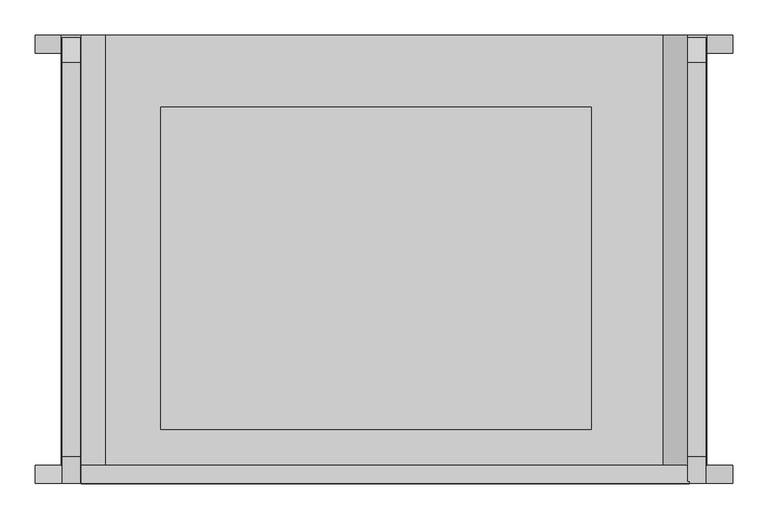
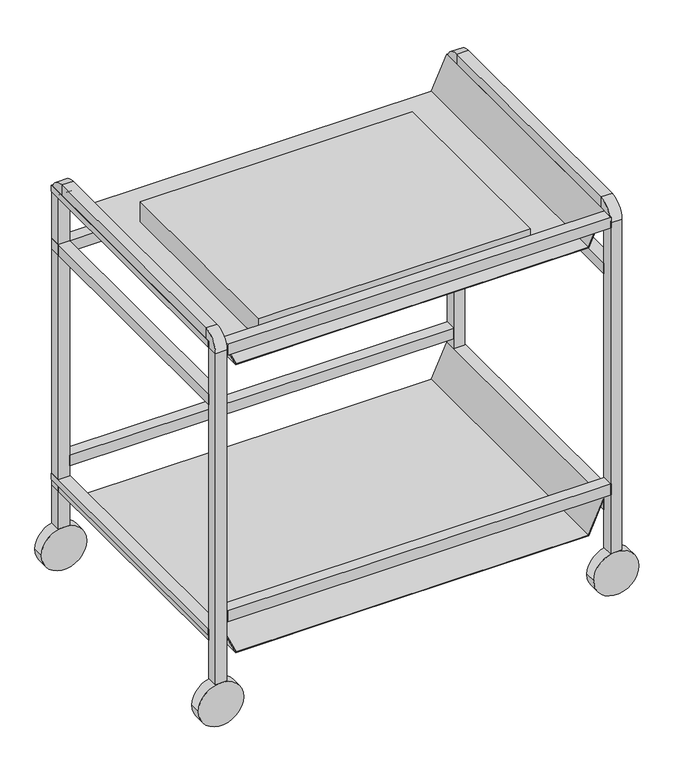
"""IFC4 building model written with IfcOpenShell, lengths in millimetres: proxy geometry."""

import ifcopenshell
import ifcopenshell.guid

model = None  # the IFC model being written
_history = None  # IfcOwnerHistory: only IFC2X3 demands one
_inside = {}  # id of a spatial element -> (the spatial element, [elements in it])
_under = {}  # id of a project, library or spatial element -> (it, [spatial elements below it])
_declared = {}  # id of a project -> (the project, [libraries it declares])
_typed = {}  # id of a type object -> (the type object, [elements of that type])
_made_of = {}  # id of a material, layer set ... -> (it, [elements and type objects made of it])


def new_model(schema):
    """Start an empty IFC model of exactly this schema.

    Asked for "IFC4X3", IfcOpenShell would pick the latest addendum, in which some entities
    have other attributes; the version numbers below select the first issue.
    IFC2X3 requires an IfcOwnerHistory on every rooted entity: one is made here for all.
    """
    global model, _history
    if schema == "IFC4X3":
        model = ifcopenshell.file(schema_version=(4, 3, 0, 0))
    else:
        model = ifcopenshell.file(schema=schema)
    _inside.clear()
    _under.clear()
    _declared.clear()
    _typed.clear()
    _made_of.clear()
    _history = None
    if model.schema == "IFC2X3":
        org = make("IfcOrganization", Name="unknown")
        user = make(
            "IfcPersonAndOrganization",
            ThePerson=make("IfcPerson", FamilyName="unknown"),
            TheOrganization=org,
        )
        app = make(
            "IfcApplication",
            ApplicationDeveloper=org,
            Version="unknown",
            ApplicationFullName="unknown",
            ApplicationIdentifier="unknown",
        )
        _history = make(
            "IfcOwnerHistory",
            OwningUser=user,
            OwningApplication=app,
            ChangeAction="ADDED",
            CreationDate=0,
        )
    return model


def make(cls, **values):
    """One entity of the class cls with the attributes given. An attribute that is None is left unset."""
    return model.create_entity(
        cls, **{name: value for name, value in values.items() if value is not None}
    )


def rooted(cls, **values):
    """An entity with a GlobalId (a new one), such as an element, a storey or a relation."""
    return make(cls, GlobalId=ifcopenshell.guid.new(), OwnerHistory=_history, **values)


def si_unit(unit_type, name, prefix=None):
    """IfcSIUnit, for example si_unit("LENGTHUNIT", "METRE", prefix="MILLI")."""
    return make("IfcSIUnit", UnitType=unit_type, Prefix=prefix, Name=name)


def assignment(units):
    """IfcUnitAssignment: the units of a project."""
    return None if units is None else make("IfcUnitAssignment", Units=units)


def point(xyz):
    """IfcCartesianPoint."""
    return None if xyz is None else make("IfcCartesianPoint", Coordinates=xyz)


def direction(xyz):
    """IfcDirection."""
    return None if xyz is None else make("IfcDirection", DirectionRatios=xyz)


def frame(location, z_axis=None, x_axis=None):
    """IfcAxis2Placement3D, a coordinate frame: its origin and axes. An axis left out is left unset."""
    return make(
        "IfcAxis2Placement3D",
        Location=point(location),
        Axis=direction(z_axis),
        RefDirection=direction(x_axis),
    )


def frame_2d(location, x_axis=None):
    """IfcAxis2Placement2D, a coordinate frame in the plane: its origin and x axis."""
    return make(
        "IfcAxis2Placement2D", Location=point(location), RefDirection=direction(x_axis)
    )


def origin():
    """The frame at (0, 0, 0) with its axes left unset."""
    return frame((0.0, 0.0, 0.0))


def place(relative_to, where):
    """IfcLocalPlacement: puts the frame where relative to a parent placement (None: the world)."""
    return make(
        "IfcLocalPlacement", PlacementRelTo=relative_to, RelativePlacement=where
    )


def context(
    kind, dimensions, precision=None, world=None, true_north=None, identifier=None
):
    """IfcGeometricRepresentationContext, for example the 3D "Model" context."""
    return make(
        "IfcGeometricRepresentationContext",
        ContextIdentifier=identifier,
        ContextType=kind,
        CoordinateSpaceDimension=dimensions,
        Precision=precision,
        WorldCoordinateSystem=world,
        TrueNorth=true_north,
    )


def project(units=None, contexts=None):
    """IfcProject with its units and contexts."""
    return rooted(
        "IfcProject",
        Name="project",
        RepresentationContexts=contexts,
        UnitsInContext=assignment(units),
    )


def spatial(cls, under=None, at=None, **own):
    """A site, building, storey or space (cls), placed at a placement, below another one or the project."""
    s = rooted(cls, ObjectPlacement=at, **own)
    if under is not None:
        _under.setdefault(under.id(), (under, []))[1].append(s)
    return s


def polyline(points):
    """IfcPolyline through the points."""
    return make("IfcPolyline", Points=[point(p) for p in points])


def circle_curve(where, radius):
    """IfcCircle in the frame where."""
    return make("IfcCircle", Position=where, Radius=radius)


def trimmed(basis, trim1, trim2, sense, master):
    """IfcTrimmedCurve: the piece of a basis curve between two trims."""
    return make(
        "IfcTrimmedCurve",
        BasisCurve=basis,
        Trim1=trim1,
        Trim2=trim2,
        SenseAgreement=sense,
        MasterRepresentation=master,
    )


def segment(curve, same_sense, transition):
    """IfcCompositeCurveSegment."""
    return make(
        "IfcCompositeCurveSegment",
        Transition=transition,
        SameSense=same_sense,
        ParentCurve=curve,
    )


def composite_curve(segments, self_intersect=None):
    """IfcCompositeCurve: segments joined end to end."""
    return make("IfcCompositeCurve", Segments=segments, SelfIntersect=self_intersect)


def outline(outer, holes=None, kind="AREA"):
    """IfcArbitraryClosedProfileDef: a profile drawn as a closed curve; with holes, ...WithVoids."""
    if holes is None:
        return make("IfcArbitraryClosedProfileDef", ProfileType=kind, OuterCurve=outer)
    return make(
        "IfcArbitraryProfileDefWithVoids",
        ProfileType=kind,
        OuterCurve=outer,
        InnerCurves=holes,
    )


def extrude(swept, where, along, depth):
    """IfcExtrudedAreaSolid: the profile swept, set in the frame where, extruded along a direction by depth."""
    return make(
        "IfcExtrudedAreaSolid",
        SweptArea=swept,
        Position=where,
        ExtrudedDirection=direction(along),
        Depth=depth,
    )


def shape(context_of_items, identifier, shape_type, items):
    """IfcShapeRepresentation: the items that make up one representation, for example the "Body"."""
    return make(
        "IfcShapeRepresentation",
        ContextOfItems=context_of_items,
        RepresentationIdentifier=identifier,
        RepresentationType=shape_type,
        Items=items,
    )


def source(mapping_origin, context_of_items, identifier, shape_type, items):
    """IfcRepresentationMap: a shape defined once, which mapped items show again and again."""
    return make(
        "IfcRepresentationMap",
        MappingOrigin=mapping_origin,
        MappedRepresentation=shape(context_of_items, identifier, shape_type, items),
    )


def transform(
    local_origin,
    x_axis=None,
    y_axis=None,
    z_axis=None,
    scale=None,
    scale2=None,
    scale3=None,
    uniform=True,
):
    """IfcCartesianTransformationOperator3D, or its non-uniform kind. x_axis, y_axis, z_axis: its Axis1, 2, 3."""
    if uniform:
        return make(
            "IfcCartesianTransformationOperator3D",
            Axis1=direction(x_axis),
            Axis2=direction(y_axis),
            LocalOrigin=point(local_origin),
            Scale=scale,
            Axis3=direction(z_axis),
        )
    return make(
        "IfcCartesianTransformationOperator3DnonUniform",
        Axis1=direction(x_axis),
        Axis2=direction(y_axis),
        LocalOrigin=point(local_origin),
        Scale=scale,
        Axis3=direction(z_axis),
        Scale2=scale2,
        Scale3=scale3,
    )


def mapped(mapping_source, mapping_target):
    """IfcMappedItem: shows the shape of a source again, moved by a transform."""
    return make(
        "IfcMappedItem", MappingSource=mapping_source, MappingTarget=mapping_target
    )


def made_of(thing, what):
    """Note that an element or type object is made of a material, layer set ...; save() writes the relation."""
    if what is not None:
        _made_of.setdefault(what.id(), (what, []))[1].append(thing)
    return thing


def element(
    cls,
    number,
    at=None,
    inside=None,
    cuts=None,
    type_object=None,
    material=None,
    context=None,
    identifier="Body",
    shape_type=None,
    held_by="IfcProductDefinitionShape",
    body=None,
    shapes=None,
    **own,
):
    """One element of the class cls, such as IfcWall. Its Tag is "e" and its number.

    at: its placement. inside: the storey or other place that contains it. cuts: it is an
    opening in that element (IfcRelVoidsElement). A single representation is given by context,
    identifier, shape_type and body (its items); several are given by shapes. held_by: the class
    of the entity that holds the representations. save() writes the other relations.
    """
    e = rooted(cls, Tag="e%d" % number, ObjectPlacement=at, **own)
    if body is not None:
        shapes = [shape(context, identifier, shape_type, body)]
    if shapes is not None:
        e.Representation = make(held_by, Representations=shapes)
    if inside is not None:
        _inside.setdefault(inside.id(), (inside, []))[1].append(e)
    if cuts is not None:
        rooted(
            "IfcRelVoidsElement", RelatingBuildingElement=cuts, RelatedOpeningElement=e
        )
    if type_object is not None:
        _typed.setdefault(type_object.id(), (type_object, []))[1].append(e)
    return made_of(e, material)


def aggregate(whole, parts):
    """IfcRelAggregates: a whole, such as a stair, and the parts it consists of."""
    return rooted("IfcRelAggregates", RelatingObject=whole, RelatedObjects=parts)


def save(model, path):
    """Write the relations noted so far, then the file.

    IfcRelAggregates (storeys below a building ...), IfcRelContainedInSpatialStructure (elements
    in a storey), IfcRelDefinesByType, IfcRelAssociatesMaterial and IfcRelDeclares: one each for
    every whole, place, type object, material and project.
    """
    for whole, parts in _under.values():
        aggregate(whole, parts)
    for where, things in _inside.values():
        rooted(
            "IfcRelContainedInSpatialStructure",
            RelatedElements=things,
            RelatingStructure=where,
        )
    for kind, things in _typed.values():
        rooted("IfcRelDefinesByType", RelatedObjects=things, RelatingType=kind)
    for what, things in _made_of.values():
        rooted("IfcRelAssociatesMaterial", RelatedObjects=things, RelatingMaterial=what)
    for by, libraries in _declared.values():
        rooted("IfcRelDeclares", RelatingContext=by, RelatedDefinitions=libraries)
    model.write(path)


def plane_surface(at):
    """IfcPlane: the flat surface through the origin of the frame at, square to its z axis."""
    return make("IfcPlane", Position=at)


def cylinder_surface(at, radius):
    """IfcCylindricalSurface: all points at the distance radius from the z axis of the frame at."""
    return make("IfcCylindricalSurface", Position=at, Radius=radius)


def revolved_surface(curve, axis_point, axis_direction):
    """IfcSurfaceOfRevolution: the curve turned about the line through axis_point along axis_direction."""
    return make(
        "IfcSurfaceOfRevolution",
        SweptCurve=make("IfcArbitraryOpenProfileDef", ProfileType="CURVE", Curve=curve),
        AxisPosition=make("IfcAxis1Placement", Location=point(axis_point), Axis=direction(axis_direction)),
    )


def advanced_brep(points, edges, surfaces, faces):
    """IfcAdvancedBrep: a solid bounded by faces that lie on surfaces and meet in shared edges.

    An edge is (start, end): straight between two places in points (the first is 0);
    or (start, end, curve); or (start, end, curve, False) where it runs against its curve.
    A face is (place in surfaces, loops), or (place, loops, False) where it looks against
    its surface's normal. A loop lists edges by number (the first is 1), with a minus sign
    where the edge is run from its end to its start. The first loop is the outer one.
    """
    corners = [point(p) for p in points]
    vertices = [make("IfcVertexPoint", VertexGeometry=c) for c in corners]
    made = []
    for start, end, *more in edges:
        made.append(
            make(
                "IfcEdgeCurve",
                EdgeStart=vertices[start],
                EdgeEnd=vertices[end],
                EdgeGeometry=more[0] if more else make("IfcPolyline", Points=[corners[start], corners[end]]),
                SameSense=more[1] if len(more) > 1 else True,
            )
        )
    hull = []
    for where, loops, *sense in faces:
        bounds = []
        for j, loop in enumerate(loops):
            ring = [make("IfcOrientedEdge", EdgeElement=made[abs(k) - 1], Orientation=k > 0) for k in loop]
            bounds.append(
                make(
                    "IfcFaceOuterBound" if j == 0 else "IfcFaceBound",
                    Bound=make("IfcEdgeLoop", EdgeList=ring),
                    Orientation=True,
                )
            )
        hull.append(make("IfcAdvancedFace", Bounds=bounds, FaceSurface=surfaces[where], SameSense=sense[0] if sense else True))
    return make("IfcAdvancedBrep", Outer=make("IfcClosedShell", CfsFaces=hull))


def specialty_equipment_13ca5da9(model_context):
    return source(origin(), model_context, "Body", "SolidModel", [
        extrude(outline(polyline([(215.9259266, -214.3306378), (215.9259266, -188.9306378), (140.8835759, -154.537629), (140.8835759, 103.7013533), (140.8835759, 637.1013533), (215.9259266, 671.4943622), (215.9259266, 696.8943622), (203.2259266, 696.8943622), (203.2259266, 698.4818622), (217.5134266, 698.4818622), (217.5134266, 670.4756489), (142.4710759, 636.08264), (142.4710759, -153.5189157), (217.5134266, -187.9119246), (217.5134266, -215.9181378), (203.2259266, -215.9181378), (203.2259266, -214.3306378), (215.9259266, -214.3306378)])), frame((0.0, -416.6970561, 0.0), z_axis=(0.0, 1.0, 0.0), x_axis=(0.0, 0.0, 1.0)), (0.0, 0.0, 1.0), 609.6),
        extrude(outline(polyline([(898.525, -214.3306378), (898.525, -188.9306378), (823.4826492, -154.537629), (823.4826492, 103.7013533), (823.4826492, 637.1013533), (898.525, 671.4943622), (898.525, 696.8943622), (885.825, 696.8943622), (885.825, 698.4818622), (900.1125, 698.4818622), (900.1125, 670.4756489), (825.0701492, 636.08264), (825.0701492, -153.5189157), (900.1125, -187.9119246), (900.1125, -215.9181378), (885.825, -215.9181378), (885.825, -214.3306378), (898.525, -214.3306378)])), frame((0.0, -416.6970561, 0.0), z_axis=(0.0, 1.0, 0.0), x_axis=(0.0, 0.0, 1.0)), (0.0, 0.0, 1.0), 609.6),
        extrude(outline(polyline([(-188.9306378, 167.5029439), (-188.9306378, 192.9029439), (671.4943622, 192.9029439), (671.4943622, 167.5029439), (-188.9306378, 167.5029439)])), frame((0.0, 0.0, 241.3), z_axis=(0.0, 0.0, 1.0), x_axis=(1.0, 0.0, 0.0)), (0.0, 0.0, 1.0), 25.4),
        extrude(outline(polyline([(-187.2190422, -442.4389813), (-187.2190422, -417.0389813), (673.2059578, -417.0389813), (673.2059578, -442.4389813), (-187.2190422, -442.4389813)])), frame((0.0, 0.0, 241.3), z_axis=(0.0, 0.0, 1.0), x_axis=(1.0, 0.0, 0.0)), (0.0, 0.0, 1.0), 25.4),
        extrude(outline(polyline([(673.2059578, -416.6970561), (673.2059578, -442.0970561), (-187.2190422, -442.0970561), (-187.2190422, -416.6970561), (673.2059578, -416.6970561)])), frame((0.0, 0.0, 873.125), z_axis=(0.0, 0.0, 1.0), x_axis=(1.0, 0.0, 0.0)), (0.0, 0.0, 1.0), 25.4),
        extrude(outline(polyline([(671.4943622, 192.9029439), (671.4943622, 167.5029439), (-188.9306378, 167.5029439), (-188.9306378, 192.9029439), (671.4943622, 192.9029439)])), frame((0.0, 0.0, 749.3), z_axis=(0.0, 0.0, 1.0), x_axis=(1.0, 0.0, 0.0)), (0.0, 0.0, 1.0), 25.4),
        extrude(outline(polyline([(-214.3306378, 192.9029439), (-188.9306378, 192.9029439), (-188.9306378, -416.6970561), (-214.3306378, -416.6970561), (-214.3306378, 192.9029439)])), frame((0.0, 0.0, 749.3), z_axis=(0.0, 0.0, 1.0), x_axis=(1.0, 0.0, 0.0)), (0.0, 0.0, 1.0), 25.4),
        extrude(outline(polyline([(-214.3306378, 192.9029439), (-188.9306378, 192.9029439), (-188.9306378, -416.6970561), (-214.3306378, -416.6970561), (-214.3306378, 192.9029439)])), frame((0.0, 0.0, 190.5259266), z_axis=(0.0, 0.0, 1.0), x_axis=(1.0, 0.0, 0.0)), (0.0, 0.0, 1.0), 25.4),
        extrude(outline(polyline([(671.4943622, 192.9029439), (696.8943622, 192.9029439), (696.8943622, -416.6970561), (671.4943622, -416.6970561), (671.4943622, 192.9029439)])), frame((0.0, 0.0, 749.3), z_axis=(0.0, 0.0, 1.0), x_axis=(1.0, 0.0, 0.0)), (0.0, 0.0, 1.0), 25.4),
        extrude(outline(polyline([(671.4943622, 192.9029439), (696.8943622, 192.9029439), (696.8943622, -416.6970561), (671.4943622, -416.6970561), (671.4943622, 192.9029439)])), frame((0.0, 0.0, 190.5259266), z_axis=(0.0, 0.0, 1.0), x_axis=(1.0, 0.0, 0.0)), (0.0, 0.0, 1.0), 25.4),
        advanced_brep(
        [(-214.3306378, 192.9029439, 100.3263379), (-188.9306378, 192.9029439, 100.3263379), (-188.9306378, 167.5029439, 100.3263379), (-214.3306378, 167.5029439, 100.3263379), (-214.3306378, 192.9029439, 885.825), (-188.9306378, 192.9029439, 885.825), (-188.9306378, 167.5029439, 885.825), (-214.3306378, 167.5029439, 885.825), (-188.9306378, 154.8029439, 923.925), (-214.3306378, 154.8029439, 923.925), (-188.9306378, 154.8029439, 898.525), (-214.3306378, 154.8029439, 898.525), (-214.3306378, -403.9970561, 923.925), (-188.9306378, -403.9970561, 923.925), (-188.9306378, -403.9970561, 898.525), (-214.3306378, -403.9970561, 898.525), (-188.9306378, -442.0970561, 885.825), (-214.3306378, -442.0970561, 885.825), (-188.9306378, -416.6970561, 885.825), (-214.3306378, -416.6970561, 885.825), (-214.3306378, -442.0970561, 101.6), (-214.3306378, -416.6970561, 101.6), (-188.9306378, -416.6970561, 101.6), (-188.9306378, -442.0970561, 101.6)],
        [
            (0, 1),
            (1, 2),
            (2, 3),
            (3, 0),
            (0, 4),
            (4, 5),
            (5, 1),
            (5, 6),
            (6, 2),
            (6, 7),
            (7, 3),
            (7, 4),
            (8, 5, circle_curve(frame((-188.9306378, 154.8029439, 885.825), z_axis=(-1.0, 0.0, 0.0), x_axis=(0.0, 1.0, 0.0)), 38.1)),
            (4, 9, circle_curve(frame((-214.3306378, 154.8029439, 885.825), z_axis=(1.0, 0.0, 0.0), x_axis=(0.0, 1.0, 0.0)), 38.1)),
            (9, 8),
            (10, 6, circle_curve(frame((-188.9306378, 154.8029439, 885.825), z_axis=(-1.0, 0.0, 0.0), x_axis=(0.0, 1.0, 0.0)), 12.7)),
            (8, 10),
            (11, 7, circle_curve(frame((-214.3306378, 154.8029439, 885.825), z_axis=(-1.0, 0.0, 0.0), x_axis=(0.0, 1.0, 0.0)), 12.7)),
            (10, 11),
            (11, 9),
            (9, 12),
            (12, 13),
            (13, 8),
            (13, 14),
            (14, 10),
            (14, 15),
            (15, 11),
            (15, 12),
            (16, 13, circle_curve(frame((-188.9306378, -403.9970561, 885.825), z_axis=(-1.0, 0.0, 0.0), x_axis=(0.0, 0.0, 1.0)), 38.1)),
            (12, 17, circle_curve(frame((-214.3306378, -403.9970561, 885.825), z_axis=(1.0, 0.0, 0.0), x_axis=(0.0, 0.0, 1.0)), 38.1)),
            (17, 16),
            (18, 14, circle_curve(frame((-188.9306378, -403.9970561, 885.825), z_axis=(-1.0, 0.0, 0.0), x_axis=(0.0, 0.0, 1.0)), 12.7)),
            (16, 18),
            (19, 15, circle_curve(frame((-214.3306378, -403.9970561, 885.825), z_axis=(-1.0, 0.0, 0.0), x_axis=(0.0, 0.0, 1.0)), 12.7)),
            (18, 19),
            (19, 17),
            (20, 21),
            (21, 22),
            (22, 23),
            (23, 20),
            (17, 20),
            (23, 16),
            (22, 18),
            (21, 19),
        ],
        [
            plane_surface(frame((684.1943622, -718.4118043, 100.3263379), z_axis=(0.0, 0.0, -1.0), x_axis=(1.0, 0.0, 0.0))),
            plane_surface(frame((-214.3306378, 192.9029439, 100.3263379), z_axis=(0.0, 1.0, 0.0), x_axis=(0.0, 0.0, 1.0))),
            plane_surface(frame((-188.9306378, 192.9029439, 100.3263379), z_axis=(1.0, 0.0, 0.0), x_axis=(0.0, 0.0, 1.0))),
            plane_surface(frame((-188.9306378, 167.5029439, 100.3263379), z_axis=(0.0, -1.0, 0.0), x_axis=(0.0, 0.0, 1.0))),
            plane_surface(frame((-214.3306378, 167.5029439, 100.3263379), z_axis=(-1.0, 0.0, 0.0), x_axis=(0.0, 0.0, 1.0))),
            cylinder_surface(frame((684.1943622, 154.8029439, 885.825), z_axis=(1.0, 0.0, 0.0), x_axis=(0.0, 1.0, 0.0)), 38.1),
            plane_surface(frame((-188.9306378, 154.8029439, 885.825), z_axis=(1.0, 0.0, 0.0), x_axis=(0.0, 1.0, 0.0))),
            revolved_surface(polyline([(-188.9306378, 167.5029439, 885.825), (-214.33063779999998, 167.5029439, 885.825)]), (684.1943622, 154.8029439, 885.825), (1.0, 0.0, 0.0)),
            plane_surface(frame((-214.3306378, 154.8029439, 885.825), z_axis=(-1.0, 0.0, 0.0), x_axis=(0.0, 1.0, 0.0))),
            plane_surface(frame((-214.3306378, 154.8029439, 923.925), z_axis=(0.0, 0.0, 1.0), x_axis=(0.0, -1.0, 0.0))),
            plane_surface(frame((-188.9306378, 154.8029439, 923.925), z_axis=(1.0, 0.0, 0.0), x_axis=(0.0, -1.0, 0.0))),
            plane_surface(frame((-188.9306378, 154.8029439, 898.525), z_axis=(0.0, 0.0, -1.0), x_axis=(0.0, -1.0, 0.0))),
            plane_surface(frame((-214.3306378, 154.8029439, 898.525), z_axis=(-1.0, 0.0, 0.0), x_axis=(0.0, -1.0, 0.0))),
            cylinder_surface(frame((684.1943622, -403.9970561, 885.825), z_axis=(1.0, 0.0, 0.0), x_axis=(0.0, 0.0, 1.0)), 38.1),
            plane_surface(frame((-188.9306378, -403.9970561, 885.825), z_axis=(1.0, 0.0, 0.0), x_axis=(0.0, 0.0, 1.0))),
            revolved_surface(polyline([(-188.9306378, -403.9970561, 898.5250000000001), (-214.33063779999998, -403.9970561, 898.5250000000001)]), (684.1943622, -403.9970561, 885.825), (1.0, 0.0, 0.0)),
            plane_surface(frame((-214.3306378, -403.9970561, 885.825), z_axis=(-1.0, 0.0, 0.0), x_axis=(0.0, 0.0, 1.0))),
            plane_surface(frame((684.1943622, -1328.0118043, 101.6), z_axis=(0.0, 0.0, -1.0), x_axis=(-1.0, 0.0, 0.0))),
            plane_surface(frame((-214.3306378, -442.0970561, 885.825), z_axis=(0.0, -1.0, 0.0), x_axis=(0.0, 0.0, -1.0))),
            plane_surface(frame((-188.9306378, -442.0970561, 885.825), z_axis=(1.0, 0.0, 0.0), x_axis=(0.0, 0.0, -1.0))),
            plane_surface(frame((-188.9306378, -416.6970561, 885.825), z_axis=(0.0, 1.0, 0.0), x_axis=(0.0, 0.0, -1.0))),
            plane_surface(frame((-214.3306378, -416.6970561, 885.825), z_axis=(-1.0, 0.0, 0.0), x_axis=(0.0, 0.0, -1.0))),
        ],
        [
            (0, [[1, 2, 3, 4]]),
            (1, [[-1, 5, 6, 7]]),
            (2, [[-2, -7, 8, 9]]),
            (3, [[-3, -9, 10, 11]]),
            (4, [[-4, -11, 12, -5]]),
            (5, [[13, -6, 14, 15]]),
            (6, [[16, -8, -13, 17]]),
            (7, [[18, -10, -16, 19]]),
            (8, [[-14, -12, -18, 20]]),
            (9, [[-15, 21, 22, 23]]),
            (10, [[-17, -23, 24, 25]]),
            (11, [[-19, -25, 26, 27]]),
            (12, [[-20, -27, 28, -21]]),
            (13, [[29, -22, 30, 31]]),
            (14, [[32, -24, -29, 33]]),
            (15, [[34, -26, -32, 35]]),
            (16, [[-30, -28, -34, 36]]),
            (17, [[37, 38, 39, 40]]),
            (18, [[-31, 41, -40, 42]]),
            (19, [[-33, -42, -39, 43]]),
            (20, [[-35, -43, -38, 44]]),
            (21, [[-36, -44, -37, -41]]),
        ],
    ),
        advanced_brep(
        [(696.8943622, 192.9029439, 100.3263379), (696.8943622, 167.5029439, 100.3263379), (671.4943622, 167.5029439, 100.3263379), (671.4943622, 192.9029439, 100.3263379), (696.8943622, 192.9029439, 885.825), (696.8943622, 167.5029439, 885.825), (671.4943622, 167.5029439, 885.825), (671.4943622, 192.9029439, 885.825), (696.8943622, 154.8029439, 898.525), (696.8943622, 154.8029439, 923.925), (671.4943622, 154.8029439, 898.525), (671.4943622, 154.8029439, 923.925), (696.8943622, -403.9970561, 923.925), (696.8943622, -403.9970561, 898.525), (671.4943622, -403.9970561, 898.525), (671.4943622, -403.9970561, 923.925), (696.8943622, -416.6970561, 885.825), (696.8943622, -442.0970561, 885.825), (671.4943622, -416.6970561, 885.825), (671.4943622, -442.0970561, 885.825), (696.8943622, -442.0970561, 101.6), (671.4943622, -442.0970561, 101.6), (671.4943622, -416.6970561, 101.6), (696.8943622, -416.6970561, 101.6)],
        [
            (0, 1),
            (1, 2),
            (2, 3),
            (3, 0),
            (0, 4),
            (4, 5),
            (5, 1),
            (5, 6),
            (6, 2),
            (6, 7),
            (7, 3),
            (7, 4),
            (8, 5, circle_curve(frame((696.8943622, 154.8029439, 885.825), z_axis=(-1.0, 0.0, 0.0), x_axis=(0.0, 1.0, 0.0)), 12.7)),
            (4, 9, circle_curve(frame((696.8943622, 154.8029439, 885.825), z_axis=(1.0, 0.0, 0.0), x_axis=(0.0, 1.0, 0.0)), 38.1)),
            (9, 8),
            (10, 6, circle_curve(frame((671.4943622, 154.8029439, 885.825), z_axis=(-1.0, 0.0, 0.0), x_axis=(0.0, 1.0, 0.0)), 12.7)),
            (8, 10),
            (11, 7, circle_curve(frame((671.4943622, 154.8029439, 885.825), z_axis=(-1.0, 0.0, 0.0), x_axis=(0.0, 1.0, 0.0)), 38.1)),
            (10, 11),
            (11, 9),
            (9, 12),
            (12, 13),
            (13, 8),
            (13, 14),
            (14, 10),
            (14, 15),
            (15, 11),
            (15, 12),
            (16, 13, circle_curve(frame((696.8943622, -403.9970561, 885.825), z_axis=(-1.0, 0.0, 0.0), x_axis=(0.0, 0.0, 1.0)), 12.7)),
            (12, 17, circle_curve(frame((696.8943622, -403.9970561, 885.825), z_axis=(1.0, 0.0, 0.0), x_axis=(0.0, 0.0, 1.0)), 38.1)),
            (17, 16),
            (18, 14, circle_curve(frame((671.4943622, -403.9970561, 885.825), z_axis=(-1.0, 0.0, 0.0), x_axis=(0.0, 0.0, 1.0)), 12.7)),
            (16, 18),
            (19, 15, circle_curve(frame((671.4943622, -403.9970561, 885.825), z_axis=(-1.0, 0.0, 0.0), x_axis=(0.0, 0.0, 1.0)), 38.1)),
            (18, 19),
            (19, 17),
            (20, 21),
            (21, 22),
            (22, 23),
            (23, 20),
            (17, 20),
            (23, 16),
            (22, 18),
            (21, 19),
        ],
        [
            plane_surface(frame((684.1943622, 162.2424316, 100.3263379), z_axis=(0.0, 0.0, -1.0), x_axis=(1.0, 0.0, 0.0))),
            plane_surface(frame((696.8943622, 192.9029439, 100.3263379), z_axis=(1.0, 0.0, 0.0), x_axis=(0.0, 0.0, 1.0))),
            plane_surface(frame((696.8943622, 167.5029439, 100.3263379), z_axis=(0.0, -1.0, 0.0), x_axis=(0.0, 0.0, 1.0))),
            plane_surface(frame((671.4943622, 167.5029439, 100.3263379), z_axis=(-1.0, 0.0, 0.0), x_axis=(0.0, 0.0, 1.0))),
            plane_surface(frame((671.4943622, 192.9029439, 100.3263379), z_axis=(0.0, 1.0, 0.0), x_axis=(0.0, 0.0, 1.0))),
            plane_surface(frame((696.8943622, 154.8029439, 885.825), z_axis=(1.0, 0.0, 0.0), x_axis=(0.0, 1.0, 0.0))),
            revolved_surface(polyline([(696.8943622, 167.5029439, 885.825), (671.4943622, 167.5029439, 885.825)]), (684.1943622, 154.8029439, 885.825), (1.0, 0.0, 0.0)),
            plane_surface(frame((671.4943622, 154.8029439, 885.825), z_axis=(-1.0, 0.0, 0.0), x_axis=(0.0, 1.0, 0.0))),
            cylinder_surface(frame((684.1943622, 154.8029439, 885.825), z_axis=(1.0, 0.0, 0.0), x_axis=(0.0, 1.0, 0.0)), 38.1),
            plane_surface(frame((696.8943622, 154.8029439, 923.925), z_axis=(1.0, 0.0, 0.0), x_axis=(0.0, -1.0, 0.0))),
            plane_surface(frame((696.8943622, 154.8029439, 898.525), z_axis=(0.0, 0.0, -1.0), x_axis=(0.0, -1.0, 0.0))),
            plane_surface(frame((671.4943622, 154.8029439, 898.525), z_axis=(-1.0, 0.0, 0.0), x_axis=(0.0, -1.0, 0.0))),
            plane_surface(frame((671.4943622, 154.8029439, 923.925), z_axis=(0.0, 0.0, 1.0), x_axis=(0.0, -1.0, 0.0))),
            plane_surface(frame((696.8943622, -403.9970561, 885.825), z_axis=(1.0, 0.0, 0.0), x_axis=(0.0, 0.0, 1.0))),
            revolved_surface(polyline([(696.8943622, -403.9970561, 898.5250000000001), (671.4943622, -403.9970561, 898.5250000000001)]), (684.1943622, -403.9970561, 885.825), (1.0, 0.0, 0.0)),
            plane_surface(frame((671.4943622, -403.9970561, 885.825), z_axis=(-1.0, 0.0, 0.0), x_axis=(0.0, 0.0, 1.0))),
            cylinder_surface(frame((684.1943622, -403.9970561, 885.825), z_axis=(1.0, 0.0, 0.0), x_axis=(0.0, 0.0, 1.0)), 38.1),
            plane_surface(frame((684.1943622, -447.3575684, 101.6), z_axis=(0.0, 0.0, -1.0), x_axis=(-1.0, 0.0, 0.0))),
            plane_surface(frame((696.8943622, -442.0970561, 885.825), z_axis=(1.0, 0.0, 0.0), x_axis=(0.0, 0.0, -1.0))),
            plane_surface(frame((696.8943622, -416.6970561, 885.825), z_axis=(0.0, 1.0, 0.0), x_axis=(0.0, 0.0, -1.0))),
            plane_surface(frame((671.4943622, -416.6970561, 885.825), z_axis=(-1.0, 0.0, 0.0), x_axis=(0.0, 0.0, -1.0))),
            plane_surface(frame((671.4943622, -442.0970561, 885.825), z_axis=(0.0, -1.0, 0.0), x_axis=(0.0, 0.0, -1.0))),
        ],
        [
            (0, [[1, 2, 3, 4]]),
            (1, [[-1, 5, 6, 7]]),
            (2, [[-2, -7, 8, 9]]),
            (3, [[-3, -9, 10, 11]]),
            (4, [[-4, -11, 12, -5]]),
            (5, [[13, -6, 14, 15]]),
            (6, [[16, -8, -13, 17]]),
            (7, [[18, -10, -16, 19]]),
            (8, [[-14, -12, -18, 20]]),
            (9, [[-15, 21, 22, 23]]),
            (10, [[-17, -23, 24, 25]]),
            (11, [[-19, -25, 26, 27]]),
            (12, [[-20, -27, 28, -21]]),
            (13, [[29, -22, 30, 31]]),
            (14, [[32, -24, -29, 33]]),
            (15, [[34, -26, -32, 35]]),
            (16, [[-30, -28, -34, 36]]),
            (17, [[37, 38, 39, 40]]),
            (18, [[-31, 41, -40, 42]]),
            (19, [[-33, -42, -39, 43]]),
            (20, [[-35, -43, -38, 44]]),
            (21, [[-36, -44, -37, -41]]),
        ],
    ),
        extrude(outline(composite_curve([segment(trimmed(circle_curve(frame_2d((50.8, -201.6306378)), 50.8), [point((50.8, -252.4306378))], [point((50.8, -150.8306378))], False, "CARTESIAN"), True, "CONTINUOUS"), segment(trimmed(circle_curve(frame_2d((50.8, -201.6306378)), 50.8), [point((50.8, -150.8306378))], [point((50.8, -252.4306378))], False, "CARTESIAN"), True, "CONTINUOUS")], self_intersect=False)), frame((0.0, -442.0970561, 0.0), z_axis=(0.0, 1.0, 0.0), x_axis=(0.0, 0.0, 1.0)), (0.0, 0.0, 1.0), 25.4),
        extrude(outline(composite_curve([segment(trimmed(circle_curve(frame_2d((50.8, 684.1943622)), 50.8), [point((50.8, 633.3943622))], [point((50.8, 734.9943622))], False, "CARTESIAN"), True, "CONTINUOUS"), segment(trimmed(circle_curve(frame_2d((50.8, 684.1943622)), 50.8), [point((50.8, 734.9943622))], [point((50.8, 633.3943622))], False, "CARTESIAN"), True, "CONTINUOUS")], self_intersect=False)), frame((0.0, -442.0970561, 0.0), z_axis=(0.0, 1.0, 0.0), x_axis=(0.0, 0.0, 1.0)), (0.0, 0.0, 1.0), 25.4),
        extrude(outline(composite_curve([segment(trimmed(circle_curve(frame_2d((50.8, 684.1943622)), 50.8), [point((50.8, 633.3943622))], [point((50.8, 734.9943622))], False, "CARTESIAN"), True, "CONTINUOUS"), segment(trimmed(circle_curve(frame_2d((50.8, 684.1943622)), 50.8), [point((50.8, 734.9943622))], [point((50.8, 633.3943622))], False, "CARTESIAN"), True, "CONTINUOUS")], self_intersect=False)), frame((0.0, 167.5029439, 0.0), z_axis=(0.0, 1.0, 0.0), x_axis=(0.0, 0.0, 1.0)), (0.0, 0.0, 1.0), 25.4),
        extrude(outline(composite_curve([segment(trimmed(circle_curve(frame_2d((50.8, -201.6306378)), 50.8), [point((50.8, -252.4306378))], [point((50.8, -150.8306378))], False, "CARTESIAN"), True, "CONTINUOUS"), segment(trimmed(circle_curve(frame_2d((50.8, -201.6306378)), 50.8), [point((50.8, -150.8306378))], [point((50.8, -252.4306378))], False, "CARTESIAN"), True, "CONTINUOUS")], self_intersect=False)), frame((0.0, 167.5029439, 0.0), z_axis=(0.0, 1.0, 0.0), x_axis=(0.0, 0.0, 1.0)), (0.0, 0.0, 1.0), 25.4),
        extrude(outline(polyline([(534.9693622, 91.3029439), (534.9693622, -365.8970561), (-74.6306378, -365.8970561), (-74.6306378, 91.3029439), (534.9693622, 91.3029439)])), frame((0.0, 0.0, 822.2089872), z_axis=(0.0, 0.0, 1.0), x_axis=(1.0, 0.0, 0.0)), (0.0, 0.0, 1.0), 50.9160128),
    ])


if __name__ == "__main__":
    model = new_model("IFC4")
    model_context = context("Model", 3, world=origin())
    ifc_project = project(units=[si_unit("LENGTHUNIT", "METRE", prefix="MILLI")], contexts=[model_context])
    site = spatial("IfcSite", under=ifc_project)
    building = spatial("IfcBuilding", under=site)
    placement = place(None, origin())
    specialty_equipment_shape = specialty_equipment_13ca5da9(model_context)
    element("IfcBuildingElementProxy", 1, Name="Specialty Equipment", at=placement, inside=building, context=model_context, shape_type="MappedRepresentation", body=[
        mapped(specialty_equipment_shape, transform((0.0, 0.0, 0.0), x_axis=(1.0, 0.0, 0.0), y_axis=(0.0, 1.0, 0.0), z_axis=(0.0, 0.0, 1.0))),
    ])
    save(model, "model.ifc")
